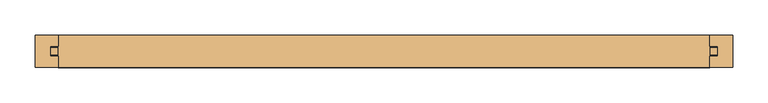
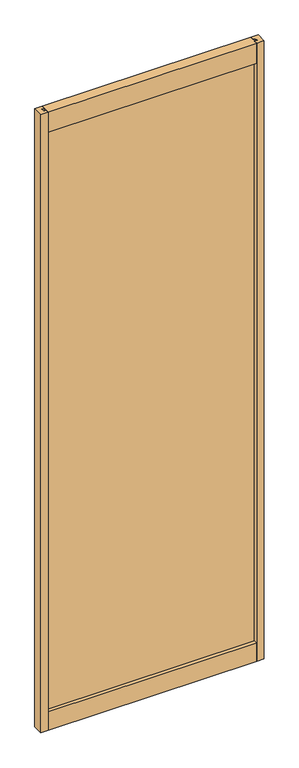
"""IFC4 building model written with IfcOpenShell, lengths in millimetres: door geometry."""

from ifc_helpers import new_model, si_unit, frame, origin, place, context, project, spatial, polyline, outline, extrude, source, transform, mapped, element, save


def door_567bc675(model_context):
    return source(origin(), model_context, "Body", "SweptSolid", [
        extrude(outline(polyline([(473.71, 5.0038), (473.71, -5.0038), (-473.71, -5.0038), (-473.71, 5.0038), (473.71, 5.0038)])), frame((0.0, 0.0, 95.25), z_axis=(0.0, 0.0, 1.0), x_axis=(1.0, 0.0, 0.0)), (0.0, 0.0, 1.0), 2730.2893997),
        extrude(outline(polyline([(-495.3, 22.733), (-462.28, 22.733), (-462.28, 7.239), (-473.71, 7.239), (-473.71, -7.239), (-462.28, -7.239), (-462.28, -22.733), (-495.3, -22.733), (-495.3, 22.733)])), frame((0.0, 0.0, 12.7), z_axis=(0.0, 0.0, 1.0), x_axis=(1.0, 0.0, 0.0)), (0.0, 0.0, 1.0), 2895.3893997),
        extrude(outline(polyline([(495.3, 22.733), (495.3, -22.733), (462.28, -22.733), (462.28, -7.239), (473.71, -7.239), (473.71, 7.239), (462.28, 7.239), (462.28, 22.733), (495.3, 22.733)])), frame((0.0, 0.0, 12.7), z_axis=(0.0, 0.0, 1.0), x_axis=(1.0, 0.0, 0.0)), (0.0, 0.0, 1.0), 2895.3893997),
        extrude(outline(polyline([(22.733, 12.7), (-22.733, 12.7), (-22.733, 99.06), (-7.239, 99.06), (-7.239, 87.63), (7.239, 87.63), (7.239, 99.06), (22.733, 99.06), (22.733, 12.7)])), frame((-462.28, 0.0, 0.0), z_axis=(1.0, 0.0, 0.0), x_axis=(0.0, 1.0, 0.0)), (0.0, 0.0, 1.0), 924.56),
        extrude(outline(polyline([(-22.733, 2908.0893997), (22.733, 2908.0893997), (22.733, 2814.1093997), (7.239, 2814.1093997), (7.239, 2825.5393997), (-7.239, 2825.5393997), (-7.239, 2814.1093997), (-22.733, 2814.1093997), (-22.733, 2908.0893997)])), frame((-462.28, 0.0, 0.0), z_axis=(1.0, 0.0, 0.0), x_axis=(0.0, 1.0, 0.0)), (0.0, 0.0, 1.0), 924.56),
    ])


if __name__ == "__main__":
    model = new_model("IFC4")
    model_context = context("Model", 3, world=origin())
    ifc_project = project(units=[si_unit("LENGTHUNIT", "METRE", prefix="MILLI")], contexts=[model_context])
    site = spatial("IfcSite", under=ifc_project)
    building = spatial("IfcBuilding", under=site)
    placement = place(None, origin())
    door_shape = door_567bc675(model_context)
    element("IfcDoor", 1, at=placement, inside=building, context=model_context, shape_type="MappedRepresentation", body=[
        mapped(door_shape, transform((0.0, 0.0, 0.0), x_axis=(1.0, 0.0, 0.0), y_axis=(0.0, 1.0, 0.0), z_axis=(0.0, 0.0, 1.0))),
    ])
    save(model, "model.ifc")
